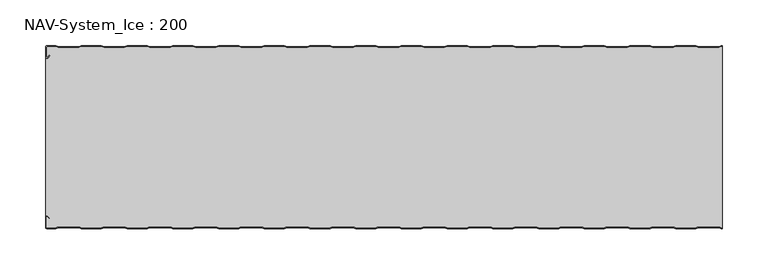
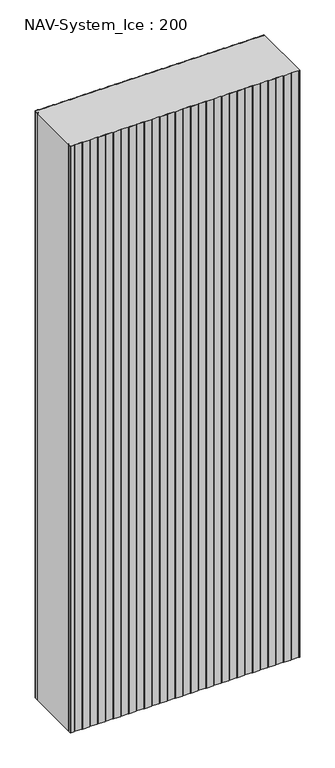
"""IFC4 building model written with IfcOpenShell, lengths in millimetres: plate geometry, NAV-System_Ice : 200."""

from ifc_helpers import new_model, si_unit, point, frame_2d, origin, origin_with_axes, place, context, project, spatial, polyline, circle_curve, trimmed, segment, composite_curve, outline, extrude, source, transform, mapped, element, save


def nav_system_ice_200_5ba8b051(model_context):
    return source(origin(), model_context, "Body", "SweptSolid", [
        extrude(outline(composite_curve([segment(polyline([(369.1298221, -0.8), (366.1298221, -1.8), (343.8701779, -1.8), (340.8701779, -0.8), (319.1298221, -0.8), (316.1298221, -1.8), (293.8701779, -1.8), (290.8701779, -0.8), (269.1298221, -0.8), (266.1298221, -1.8), (243.8701779, -1.8), (240.8701779, -0.8), (219.1298221, -0.8), (216.1298221, -1.8), (193.8701779, -1.8), (190.8701779, -0.8), (169.1298221, -0.8), (166.1298221, -1.8), (143.8701779, -1.8), (140.8701779, -0.8), (119.1298221, -0.8), (116.1298221, -1.8), (93.8701779, -1.8), (90.8701779, -0.8), (69.1298221, -0.8), (66.1298221, -1.8), (43.8701779, -1.8), (40.8701779, -0.8), (19.1298221, -0.8), (16.1298221, -1.8), (-6.1298221, -1.8), (-9.1298221, -0.8), (-30.8701779, -0.8), (-33.8701779, -1.8), (-56.1298221, -1.8), (-59.1298221, -0.8), (-80.8701779, -0.8), (-83.8701779, -1.8), (-106.1298221, -1.8), (-109.1298221, -0.8), (-130.8701779, -0.8), (-133.8701779, -1.8), (-156.1298221, -1.8), (-159.1298221, -0.8), (-180.8701779, -0.8), (-183.8701779, -1.8), (-206.1298221, -1.8), (-209.1298221, -0.8), (-230.8701779, -0.8), (-233.8701779, -1.8), (-256.1298221, -1.8), (-259.1298221, -0.8), (-280.8701779, -0.8), (-283.8701779, -1.8), (-306.1298221, -1.8), (-309.1298221, -0.8), (-330.8701779, -0.8), (-333.8701779, -1.8), (-356.1298221, -1.8), (-359.1298221, -0.8), (-368.7, -0.8)]), True, "CONTINUOUS"), segment(trimmed(circle_curve(frame_2d((-368.7, -1.3)), 0.5), [point((-368.7, -0.8))], [point((-369.2, -1.3))], True, "CARTESIAN"), True, "CONTINUOUS"), segment(polyline([(-369.2, -1.3), (-369.2, -12.5857864)]), True, "CONTINUOUS"), segment(trimmed(circle_curve(frame_2d((-368.7, -12.5857864)), 0.5), [point((-369.2, -12.5857864))], [point((-368.3464466, -12.9393398))], True, "CARTESIAN"), True, "CONTINUOUS"), segment(polyline([(-368.3464466, -12.9393398), (-365.9205321, -10.5134253), (-365.3548467, -11.0791108), (-367.7807612, -13.5050253)]), True, "CONTINUOUS"), segment(trimmed(circle_curve(frame_2d((-368.7, -12.5857864)), 1.3), [point((-367.7807612, -13.5050253))], [point((-370.0, -12.5857864))], False, "CARTESIAN"), True, "CONTINUOUS"), segment(polyline([(-370.0, -12.5857864), (-370.0, -1.3)]), True, "CONTINUOUS"), segment(trimmed(circle_curve(frame_2d((-368.7, -1.3)), 1.3), [point((-370.0, -1.3))], [point((-368.7, 0.0))], False, "CARTESIAN"), True, "CONTINUOUS"), segment(polyline([(-368.7, 0.0), (-359.0, 0.0), (-356.0, -1.0), (-334.0, -1.0), (-331.0, 0.0), (-309.0, 0.0), (-306.0, -1.0), (-284.0, -1.0), (-281.0, 0.0), (-259.0, 0.0), (-256.0, -1.0), (-234.0, -1.0), (-231.0, 0.0), (-209.0, 0.0), (-206.0, -1.0), (-184.0, -1.0), (-181.0, 0.0), (-159.0, 0.0), (-156.0, -1.0), (-134.0, -1.0), (-131.0, 0.0), (-109.0, 0.0), (-106.0, -1.0), (-84.0, -1.0), (-81.0, 0.0), (-59.0, 0.0), (-56.0, -1.0), (-34.0, -1.0), (-31.0, 0.0), (-9.0, 0.0), (-6.0, -1.0), (16.0, -1.0), (19.0, 0.0), (41.0, 0.0), (44.0, -1.0), (66.0, -1.0), (69.0, 0.0), (91.0, 0.0), (94.0, -1.0), (116.0, -1.0), (119.0, 0.0), (141.0, 0.0), (144.0, -1.0), (166.0, -1.0), (169.0, 0.0), (191.0, 0.0), (194.0, -1.0), (216.0, -1.0), (219.0, 0.0), (241.0, 0.0), (244.0, -1.0), (266.0, -1.0), (269.0, 0.0), (291.0, 0.0), (294.0, -1.0), (316.0, -1.0), (319.0, 0.0), (341.0, 0.0), (344.0, -1.0), (366.0, -1.0), (369.0, 0.0), (370.0, 0.0), (370.0, -0.8), (369.1298221, -0.8)]), True, "CONTINUOUS")], self_intersect=False)), origin_with_axes(), (0.0, 0.0, 1.0), 2000.0),
        extrude(outline(composite_curve([segment(polyline([(369.1298221, -199.2), (366.1298221, -198.2), (343.8701779, -198.2), (340.8701779, -199.2), (319.1298221, -199.2), (316.1298221, -198.2), (293.8701779, -198.2), (290.8701779, -199.2), (269.1298221, -199.2), (266.1298221, -198.2), (243.8701779, -198.2), (240.8701779, -199.2), (219.1298221, -199.2), (216.1298221, -198.2), (193.8701779, -198.2), (190.8701779, -199.2), (169.1298221, -199.2), (166.1298221, -198.2), (143.8701779, -198.2), (140.8701779, -199.2), (119.1298221, -199.2), (116.1298221, -198.2), (93.8701779, -198.2), (90.8701779, -199.2), (69.1298221, -199.2), (66.1298221, -198.2), (43.8701779, -198.2), (40.8701779, -199.2), (19.1298221, -199.2), (16.1298221, -198.2), (-6.1298221, -198.2), (-9.1298221, -199.2), (-30.8701779, -199.2), (-33.8701779, -198.2), (-56.1298221, -198.2), (-59.1298221, -199.2), (-80.8701779, -199.2), (-83.8701779, -198.2), (-106.1298221, -198.2), (-109.1298221, -199.2), (-130.8701779, -199.2), (-133.8701779, -198.2), (-156.1298221, -198.2), (-159.1298221, -199.2), (-180.8701779, -199.2), (-183.8701779, -198.2), (-206.1298221, -198.2), (-209.1298221, -199.2), (-230.8701779, -199.2), (-233.8701779, -198.2), (-256.1298221, -198.2), (-259.1298221, -199.2), (-280.8701779, -199.2), (-283.8701779, -198.2), (-306.1298221, -198.2), (-309.1298221, -199.2), (-330.8701779, -199.2), (-333.8701779, -198.2), (-356.1298221, -198.2), (-359.1298221, -199.2), (-368.7, -199.2)]), True, "CONTINUOUS"), segment(trimmed(circle_curve(frame_2d((-368.7, -198.7)), 0.5), [point((-368.7, -199.2))], [point((-369.2, -198.7))], False, "CARTESIAN"), True, "CONTINUOUS"), segment(polyline([(-369.2, -198.7), (-369.2, -187.4142136)]), True, "CONTINUOUS"), segment(trimmed(circle_curve(frame_2d((-368.7, -187.4142136)), 0.5), [point((-369.2, -187.4142136))], [point((-368.3464466, -187.0606602))], False, "CARTESIAN"), True, "CONTINUOUS"), segment(polyline([(-368.3464466, -187.0606602), (-365.9205321, -189.4865747), (-365.3548467, -188.9208892), (-367.7807612, -186.4949747)]), True, "CONTINUOUS"), segment(trimmed(circle_curve(frame_2d((-368.7, -187.4142136)), 1.3), [point((-367.7807612, -186.4949747))], [point((-368.7, -186.1142136))], True, "CARTESIAN"), True, "CONTINUOUS"), segment(polyline([(-368.7, -186.1142136), (-370.0, -186.1142136), (-370.0, -13.8857864), (-368.7, -13.8857864)]), True, "CONTINUOUS"), segment(trimmed(circle_curve(frame_2d((-368.7, -12.5857864)), 1.3), [point((-368.7, -13.8857864))], [point((-367.7807612, -13.5050253))], True, "CARTESIAN"), True, "CONTINUOUS"), segment(polyline([(-367.7807612, -13.5050253), (-365.3548467, -11.0791108), (-365.9205321, -10.5134253), (-368.3464466, -12.9393398)]), True, "CONTINUOUS"), segment(trimmed(circle_curve(frame_2d((-368.7, -12.5857864)), 0.5), [point((-368.3464466, -12.9393398))], [point((-369.2, -12.5857864))], False, "CARTESIAN"), True, "CONTINUOUS"), segment(polyline([(-369.2, -12.5857864), (-369.2, -1.3)]), True, "CONTINUOUS"), segment(trimmed(circle_curve(frame_2d((-368.7, -1.3)), 0.5), [point((-369.2, -1.3))], [point((-368.7, -0.8))], False, "CARTESIAN"), True, "CONTINUOUS"), segment(polyline([(-368.7, -0.8), (-359.1298221, -0.8), (-356.1298221, -1.8), (-333.8701779, -1.8), (-330.8701779, -0.8), (-309.1298221, -0.8), (-306.1298221, -1.8), (-283.8701779, -1.8), (-280.8701779, -0.8), (-259.1298221, -0.8), (-256.1298221, -1.8), (-233.8701779, -1.8), (-230.8701779, -0.8), (-209.1298221, -0.8), (-206.1298221, -1.8), (-183.8701779, -1.8), (-180.8701779, -0.8), (-159.1298221, -0.8), (-156.1298221, -1.8), (-133.8701779, -1.8), (-130.8701779, -0.8), (-109.1298221, -0.8), (-106.1298221, -1.8), (-83.8701779, -1.8), (-80.8701779, -0.8), (-59.1298221, -0.8), (-56.1298221, -1.8), (-33.8701779, -1.8), (-30.8701779, -0.8), (-9.1298221, -0.8), (-6.1298221, -1.8), (16.1298221, -1.8), (19.1298221, -0.8), (40.8701779, -0.8), (43.8701779, -1.8), (66.1298221, -1.8), (69.1298221, -0.8), (90.8701779, -0.8), (93.8701779, -1.8), (116.1298221, -1.8), (119.1298221, -0.8), (140.8701779, -0.8), (143.8701779, -1.8), (166.1298221, -1.8), (169.1298221, -0.8), (190.8701779, -0.8), (193.8701779, -1.8), (216.1298221, -1.8), (219.1298221, -0.8), (240.8701779, -0.8), (243.8701779, -1.8), (266.1298221, -1.8), (269.1298221, -0.8), (290.8701779, -0.8), (293.8701779, -1.8), (316.1298221, -1.8), (319.1298221, -0.8), (340.8701779, -0.8), (343.8701779, -1.8), (366.1298221, -1.8), (369.1298221, -0.8), (370.0, -0.8), (370.0, -199.2), (369.1298221, -199.2)]), True, "CONTINUOUS")], self_intersect=False)), origin_with_axes(), (0.0, 0.0, 1.0), 2000.0),
        extrude(outline(composite_curve([segment(polyline([(369.0, -200.0), (366.0, -199.0), (344.0, -199.0), (341.0, -200.0), (319.0, -200.0), (316.0, -199.0), (294.0, -199.0), (291.0, -200.0), (269.0, -200.0), (266.0, -199.0), (244.0, -199.0), (241.0, -200.0), (219.0, -200.0), (216.0, -199.0), (194.0, -199.0), (191.0, -200.0), (169.0, -200.0), (166.0, -199.0), (144.0, -199.0), (141.0, -200.0), (119.0, -200.0), (116.0, -199.0), (94.0, -199.0), (91.0, -200.0), (69.0, -200.0), (66.0, -199.0), (44.0, -199.0), (41.0, -200.0), (19.0, -200.0), (16.0, -199.0), (-6.0, -199.0), (-9.0, -200.0), (-31.0, -200.0), (-34.0, -199.0), (-56.0, -199.0), (-59.0, -200.0), (-81.0, -200.0), (-84.0, -199.0), (-106.0, -199.0), (-109.0, -200.0), (-131.0, -200.0), (-134.0, -199.0), (-156.0, -199.0), (-159.0, -200.0), (-181.0, -200.0), (-184.0, -199.0), (-206.0, -199.0), (-209.0, -200.0), (-231.0, -200.0), (-234.0, -199.0), (-256.0, -199.0), (-259.0, -200.0), (-281.0, -200.0), (-284.0, -199.0), (-306.0, -199.0), (-309.0, -200.0), (-331.0, -200.0), (-334.0, -199.0), (-356.0, -199.0), (-359.0, -200.0), (-368.7, -200.0)]), True, "CONTINUOUS"), segment(trimmed(circle_curve(frame_2d((-368.7, -198.7)), 1.3), [point((-368.7, -200.0))], [point((-370.0, -198.7))], False, "CARTESIAN"), True, "CONTINUOUS"), segment(polyline([(-370.0, -198.7), (-370.0, -187.4142136)]), True, "CONTINUOUS"), segment(trimmed(circle_curve(frame_2d((-368.7, -187.4142136)), 1.3), [point((-370.0, -187.4142136))], [point((-367.7807612, -186.4949747))], False, "CARTESIAN"), True, "CONTINUOUS"), segment(polyline([(-367.7807612, -186.4949747), (-365.3548467, -188.9208892), (-365.9205321, -189.4865747), (-368.3464466, -187.0606602)]), True, "CONTINUOUS"), segment(trimmed(circle_curve(frame_2d((-368.7, -187.4142136)), 0.5), [point((-368.3464466, -187.0606602))], [point((-369.2, -187.4142136))], True, "CARTESIAN"), True, "CONTINUOUS"), segment(polyline([(-369.2, -187.4142136), (-369.2, -198.7)]), True, "CONTINUOUS"), segment(trimmed(circle_curve(frame_2d((-368.7, -198.7)), 0.5), [point((-369.2, -198.7))], [point((-368.7, -199.2))], True, "CARTESIAN"), True, "CONTINUOUS"), segment(polyline([(-368.7, -199.2), (-359.1298221, -199.2), (-356.1298221, -198.2), (-333.8701779, -198.2), (-330.8701779, -199.2), (-309.1298221, -199.2), (-306.1298221, -198.2), (-283.8701779, -198.2), (-280.8701779, -199.2), (-259.1298221, -199.2), (-256.1298221, -198.2), (-233.8701779, -198.2), (-230.8701779, -199.2), (-209.1298221, -199.2), (-206.1298221, -198.2), (-183.8701779, -198.2), (-180.8701779, -199.2), (-159.1298221, -199.2), (-156.1298221, -198.2), (-133.8701779, -198.2), (-130.8701779, -199.2), (-109.1298221, -199.2), (-106.1298221, -198.2), (-83.8701779, -198.2), (-80.8701779, -199.2), (-59.1298221, -199.2), (-56.1298221, -198.2), (-33.8701779, -198.2), (-30.8701779, -199.2), (-9.1298221, -199.2), (-6.1298221, -198.2), (16.1298221, -198.2), (19.1298221, -199.2), (40.8701779, -199.2), (43.8701779, -198.2), (66.1298221, -198.2), (69.1298221, -199.2), (90.8701779, -199.2), (93.8701779, -198.2), (116.1298221, -198.2), (119.1298221, -199.2), (140.8701779, -199.2), (143.8701779, -198.2), (166.1298221, -198.2), (169.1298221, -199.2), (190.8701779, -199.2), (193.8701779, -198.2), (216.1298221, -198.2), (219.1298221, -199.2), (240.8701779, -199.2), (243.8701779, -198.2), (266.1298221, -198.2), (269.1298221, -199.2), (290.8701779, -199.2), (293.8701779, -198.2), (316.1298221, -198.2), (319.1298221, -199.2), (340.8701779, -199.2), (343.8701779, -198.2), (366.1298221, -198.2), (369.1298221, -199.2), (370.0, -199.2), (370.0, -200.0), (369.0, -200.0)]), True, "CONTINUOUS")], self_intersect=False)), origin_with_axes(), (0.0, 0.0, 1.0), 2000.0),
    ])


if __name__ == "__main__":
    model = new_model("IFC4")
    model_context = context("Model", 3, world=origin())
    ifc_project = project(units=[si_unit("LENGTHUNIT", "METRE", prefix="MILLI")], contexts=[model_context])
    site = spatial("IfcSite", under=ifc_project)
    building = spatial("IfcBuilding", under=site)
    placement = place(None, origin())
    nav_system_ice_200_shape = nav_system_ice_200_5ba8b051(model_context)
    element("IfcPlate", 1, ObjectType="NAV-System_Ice : 200", at=placement, inside=building, context=model_context, shape_type="MappedRepresentation", body=[
        mapped(nav_system_ice_200_shape, transform((0.0, 0.0, 0.0), x_axis=(1.0, 0.0, 0.0), y_axis=(0.0, 1.0, 0.0), z_axis=(0.0, 0.0, 1.0))),
    ])
    save(model, "model.ifc")
